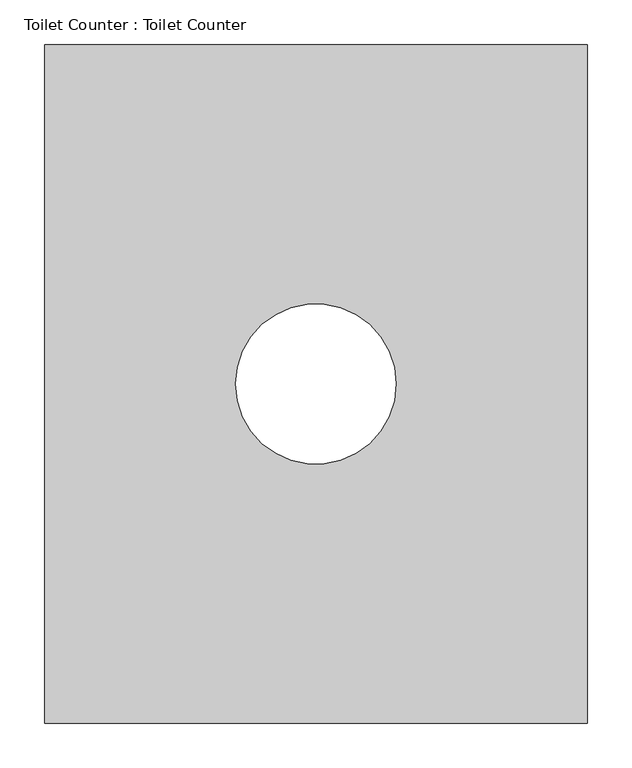
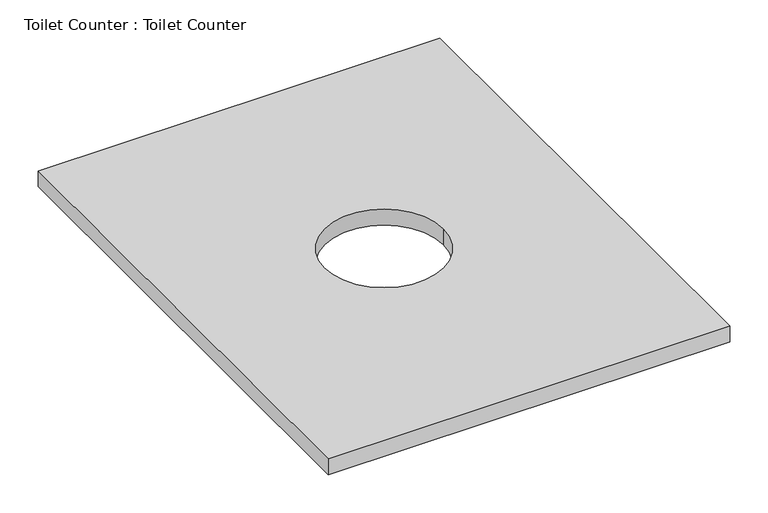
"""IFC4 building model written with IfcOpenShell, lengths in millimetres: furniture geometry, Toilet Counter : Toilet Counter."""

from ifc_helpers import new_model, si_unit, point, frame, frame_2d, origin, place, context, project, spatial, polyline, circle_curve, trimmed, segment, composite_curve, outline, extrude, source, transform, mapped, element, save


def toilet_counter_toilet_counter_57816a12(model_context):
    return source(origin(), model_context, "Body", "SweptSolid", [
        extrude(outline(polyline([(8573.803833, 2166.6809329), (8573.803833, 1404.6809329), (7964.203833, 1404.6809329), (7964.203833, 2166.6809329), (8573.803833, 2166.6809329)]), holes=[composite_curve([segment(trimmed(circle_curve(frame_2d((8269.003833, 1785.6809329)), 90.0), [point((8359.003833, 1785.6809329))], [point((8179.003833, 1785.6809329))], True, "CARTESIAN"), True, "CONTINUOUS"), segment(trimmed(circle_curve(frame_2d((8269.003833, 1785.6809329)), 90.0), [point((8179.003833, 1785.6809329))], [point((8359.003833, 1785.6809329))], True, "CARTESIAN"), True, "CONTINUOUS")], self_intersect=False)]), frame((0.0, 0.0, 1244.6), z_axis=(0.0, 0.0, 1.0), x_axis=(1.0, 0.0, 0.0)), (0.0, 0.0, 1.0), 25.4),
    ])


if __name__ == "__main__":
    model = new_model("IFC4")
    model_context = context("Model", 3, world=origin())
    ifc_project = project(units=[si_unit("LENGTHUNIT", "METRE", prefix="MILLI")], contexts=[model_context])
    site = spatial("IfcSite", under=ifc_project)
    building = spatial("IfcBuilding", under=site)
    placement = place(None, origin())
    toilet_counter_toilet_counter_shape = toilet_counter_toilet_counter_57816a12(model_context)
    element("IfcFurniture", 1, ObjectType="Toilet Counter : Toilet Counter", at=placement, inside=building, context=model_context, shape_type="MappedRepresentation", body=[
        mapped(toilet_counter_toilet_counter_shape, transform((0.0, 0.0, 0.0), x_axis=(1.0, 0.0, 0.0), y_axis=(0.0, 1.0, 0.0), z_axis=(0.0, 0.0, 1.0))),
    ])
    save(model, "model.ifc")
